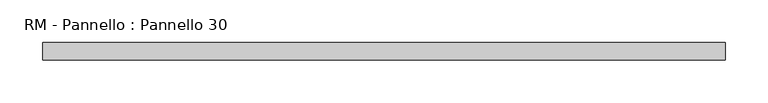
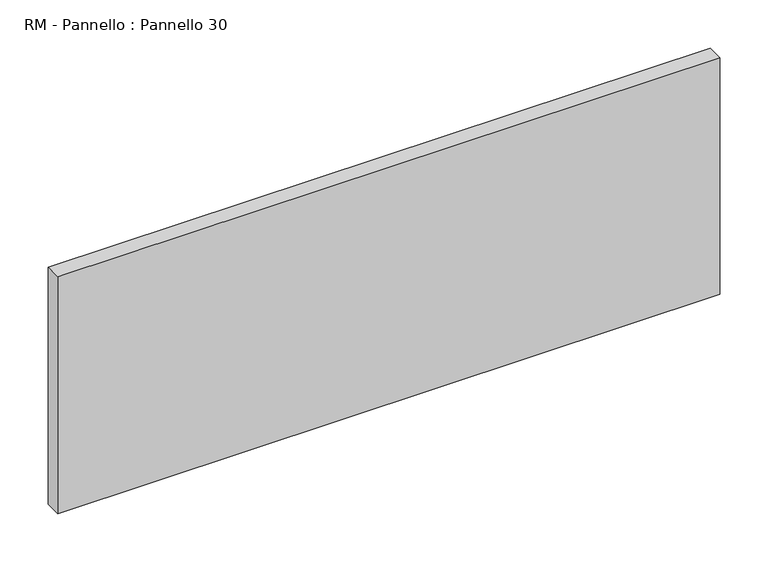
"""IFC4 building model written with IfcOpenShell, lengths in millimetres: plate geometry, RM - Pannello : Pannello 30."""

import ifcopenshell
import ifcopenshell.guid

model = None  # the IFC model being written
_history = None  # IfcOwnerHistory: only IFC2X3 demands one
_inside = {}  # id of a spatial element -> (the spatial element, [elements in it])
_under = {}  # id of a project, library or spatial element -> (it, [spatial elements below it])
_declared = {}  # id of a project -> (the project, [libraries it declares])
_typed = {}  # id of a type object -> (the type object, [elements of that type])
_made_of = {}  # id of a material, layer set ... -> (it, [elements and type objects made of it])


def new_model(schema):
    """Start an empty IFC model of exactly this schema.

    Asked for "IFC4X3", IfcOpenShell would pick the latest addendum, in which some entities
    have other attributes; the version numbers below select the first issue.
    IFC2X3 requires an IfcOwnerHistory on every rooted entity: one is made here for all.
    """
    global model, _history
    if schema == "IFC4X3":
        model = ifcopenshell.file(schema_version=(4, 3, 0, 0))
    else:
        model = ifcopenshell.file(schema=schema)
    _inside.clear()
    _under.clear()
    _declared.clear()
    _typed.clear()
    _made_of.clear()
    _history = None
    if model.schema == "IFC2X3":
        org = make("IfcOrganization", Name="unknown")
        user = make(
            "IfcPersonAndOrganization",
            ThePerson=make("IfcPerson", FamilyName="unknown"),
            TheOrganization=org,
        )
        app = make(
            "IfcApplication",
            ApplicationDeveloper=org,
            Version="unknown",
            ApplicationFullName="unknown",
            ApplicationIdentifier="unknown",
        )
        _history = make(
            "IfcOwnerHistory",
            OwningUser=user,
            OwningApplication=app,
            ChangeAction="ADDED",
            CreationDate=0,
        )
    return model


def make(cls, **values):
    """One entity of the class cls with the attributes given. An attribute that is None is left unset."""
    return model.create_entity(
        cls, **{name: value for name, value in values.items() if value is not None}
    )


def rooted(cls, **values):
    """An entity with a GlobalId (a new one), such as an element, a storey or a relation."""
    return make(cls, GlobalId=ifcopenshell.guid.new(), OwnerHistory=_history, **values)


def si_unit(unit_type, name, prefix=None):
    """IfcSIUnit, for example si_unit("LENGTHUNIT", "METRE", prefix="MILLI")."""
    return make("IfcSIUnit", UnitType=unit_type, Prefix=prefix, Name=name)


def assignment(units):
    """IfcUnitAssignment: the units of a project."""
    return None if units is None else make("IfcUnitAssignment", Units=units)


def point(xyz):
    """IfcCartesianPoint."""
    return None if xyz is None else make("IfcCartesianPoint", Coordinates=xyz)


def direction(xyz):
    """IfcDirection."""
    return None if xyz is None else make("IfcDirection", DirectionRatios=xyz)


def frame(location, z_axis=None, x_axis=None):
    """IfcAxis2Placement3D, a coordinate frame: its origin and axes. An axis left out is left unset."""
    return make(
        "IfcAxis2Placement3D",
        Location=point(location),
        Axis=direction(z_axis),
        RefDirection=direction(x_axis),
    )


def origin():
    """The frame at (0, 0, 0) with its axes left unset."""
    return frame((0.0, 0.0, 0.0))


def origin_with_axes():
    """The frame at (0, 0, 0) with the z axis (0, 0, 1) and the x axis (1, 0, 0) written out."""
    return frame((0.0, 0.0, 0.0), z_axis=(0.0, 0.0, 1.0), x_axis=(1.0, 0.0, 0.0))


def place(relative_to, where):
    """IfcLocalPlacement: puts the frame where relative to a parent placement (None: the world)."""
    return make(
        "IfcLocalPlacement", PlacementRelTo=relative_to, RelativePlacement=where
    )


def context(
    kind, dimensions, precision=None, world=None, true_north=None, identifier=None
):
    """IfcGeometricRepresentationContext, for example the 3D "Model" context."""
    return make(
        "IfcGeometricRepresentationContext",
        ContextIdentifier=identifier,
        ContextType=kind,
        CoordinateSpaceDimension=dimensions,
        Precision=precision,
        WorldCoordinateSystem=world,
        TrueNorth=true_north,
    )


def project(units=None, contexts=None):
    """IfcProject with its units and contexts."""
    return rooted(
        "IfcProject",
        Name="project",
        RepresentationContexts=contexts,
        UnitsInContext=assignment(units),
    )


def spatial(cls, under=None, at=None, **own):
    """A site, building, storey or space (cls), placed at a placement, below another one or the project."""
    s = rooted(cls, ObjectPlacement=at, **own)
    if under is not None:
        _under.setdefault(under.id(), (under, []))[1].append(s)
    return s


def polyline(points):
    """IfcPolyline through the points."""
    return make("IfcPolyline", Points=[point(p) for p in points])


def outline(outer, holes=None, kind="AREA"):
    """IfcArbitraryClosedProfileDef: a profile drawn as a closed curve; with holes, ...WithVoids."""
    if holes is None:
        return make("IfcArbitraryClosedProfileDef", ProfileType=kind, OuterCurve=outer)
    return make(
        "IfcArbitraryProfileDefWithVoids",
        ProfileType=kind,
        OuterCurve=outer,
        InnerCurves=holes,
    )


def extrude(swept, where, along, depth):
    """IfcExtrudedAreaSolid: the profile swept, set in the frame where, extruded along a direction by depth."""
    return make(
        "IfcExtrudedAreaSolid",
        SweptArea=swept,
        Position=where,
        ExtrudedDirection=direction(along),
        Depth=depth,
    )


def shape(context_of_items, identifier, shape_type, items):
    """IfcShapeRepresentation: the items that make up one representation, for example the "Body"."""
    return make(
        "IfcShapeRepresentation",
        ContextOfItems=context_of_items,
        RepresentationIdentifier=identifier,
        RepresentationType=shape_type,
        Items=items,
    )


def source(mapping_origin, context_of_items, identifier, shape_type, items):
    """IfcRepresentationMap: a shape defined once, which mapped items show again and again."""
    return make(
        "IfcRepresentationMap",
        MappingOrigin=mapping_origin,
        MappedRepresentation=shape(context_of_items, identifier, shape_type, items),
    )


def transform(
    local_origin,
    x_axis=None,
    y_axis=None,
    z_axis=None,
    scale=None,
    scale2=None,
    scale3=None,
    uniform=True,
):
    """IfcCartesianTransformationOperator3D, or its non-uniform kind. x_axis, y_axis, z_axis: its Axis1, 2, 3."""
    if uniform:
        return make(
            "IfcCartesianTransformationOperator3D",
            Axis1=direction(x_axis),
            Axis2=direction(y_axis),
            LocalOrigin=point(local_origin),
            Scale=scale,
            Axis3=direction(z_axis),
        )
    return make(
        "IfcCartesianTransformationOperator3DnonUniform",
        Axis1=direction(x_axis),
        Axis2=direction(y_axis),
        LocalOrigin=point(local_origin),
        Scale=scale,
        Axis3=direction(z_axis),
        Scale2=scale2,
        Scale3=scale3,
    )


def mapped(mapping_source, mapping_target):
    """IfcMappedItem: shows the shape of a source again, moved by a transform."""
    return make(
        "IfcMappedItem", MappingSource=mapping_source, MappingTarget=mapping_target
    )


def made_of(thing, what):
    """Note that an element or type object is made of a material, layer set ...; save() writes the relation."""
    if what is not None:
        _made_of.setdefault(what.id(), (what, []))[1].append(thing)
    return thing


def element(
    cls,
    number,
    at=None,
    inside=None,
    cuts=None,
    type_object=None,
    material=None,
    context=None,
    identifier="Body",
    shape_type=None,
    held_by="IfcProductDefinitionShape",
    body=None,
    shapes=None,
    **own,
):
    """One element of the class cls, such as IfcWall. Its Tag is "e" and its number.

    at: its placement. inside: the storey or other place that contains it. cuts: it is an
    opening in that element (IfcRelVoidsElement). A single representation is given by context,
    identifier, shape_type and body (its items); several are given by shapes. held_by: the class
    of the entity that holds the representations. save() writes the other relations.
    """
    e = rooted(cls, Tag="e%d" % number, ObjectPlacement=at, **own)
    if body is not None:
        shapes = [shape(context, identifier, shape_type, body)]
    if shapes is not None:
        e.Representation = make(held_by, Representations=shapes)
    if inside is not None:
        _inside.setdefault(inside.id(), (inside, []))[1].append(e)
    if cuts is not None:
        rooted(
            "IfcRelVoidsElement", RelatingBuildingElement=cuts, RelatedOpeningElement=e
        )
    if type_object is not None:
        _typed.setdefault(type_object.id(), (type_object, []))[1].append(e)
    return made_of(e, material)


def aggregate(whole, parts):
    """IfcRelAggregates: a whole, such as a stair, and the parts it consists of."""
    return rooted("IfcRelAggregates", RelatingObject=whole, RelatedObjects=parts)


def save(model, path):
    """Write the relations noted so far, then the file.

    IfcRelAggregates (storeys below a building ...), IfcRelContainedInSpatialStructure (elements
    in a storey), IfcRelDefinesByType, IfcRelAssociatesMaterial and IfcRelDeclares: one each for
    every whole, place, type object, material and project.
    """
    for whole, parts in _under.values():
        aggregate(whole, parts)
    for where, things in _inside.values():
        rooted(
            "IfcRelContainedInSpatialStructure",
            RelatedElements=things,
            RelatingStructure=where,
        )
    for kind, things in _typed.values():
        rooted("IfcRelDefinesByType", RelatedObjects=things, RelatingType=kind)
    for what, things in _made_of.values():
        rooted("IfcRelAssociatesMaterial", RelatedObjects=things, RelatingMaterial=what)
    for by, libraries in _declared.values():
        rooted("IfcRelDeclares", RelatingContext=by, RelatedDefinitions=libraries)
    model.write(path)


def rm_pannello_pannello_30_9eb3d67a(model_context):
    return source(origin(), model_context, "Body", "SweptSolid", [
        extrude(outline(polyline([(397.0, 200.0), (397.0, 180.0), (-397.0, 180.0), (-397.0, 200.0), (397.0, 200.0)])), origin_with_axes(), (0.0, 0.0, 1.0), 300.0),
    ])


if __name__ == "__main__":
    model = new_model("IFC4")
    model_context = context("Model", 3, world=origin())
    ifc_project = project(units=[si_unit("LENGTHUNIT", "METRE", prefix="MILLI")], contexts=[model_context])
    site = spatial("IfcSite", under=ifc_project)
    building = spatial("IfcBuilding", under=site)
    placement = place(None, origin())
    rm_pannello_pannello_30_shape = rm_pannello_pannello_30_9eb3d67a(model_context)
    element("IfcPlate", 1, ObjectType="RM - Pannello : Pannello 30", at=placement, inside=building, context=model_context, shape_type="MappedRepresentation", body=[
        mapped(rm_pannello_pannello_30_shape, transform((0.0, 0.0, 0.0), x_axis=(1.0, 0.0, 0.0), y_axis=(0.0, 1.0, 0.0), z_axis=(0.0, 0.0, 1.0))),
    ])
    save(model, "model.ifc")
